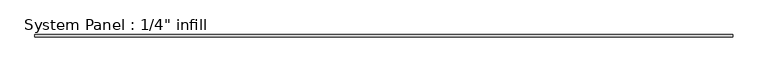
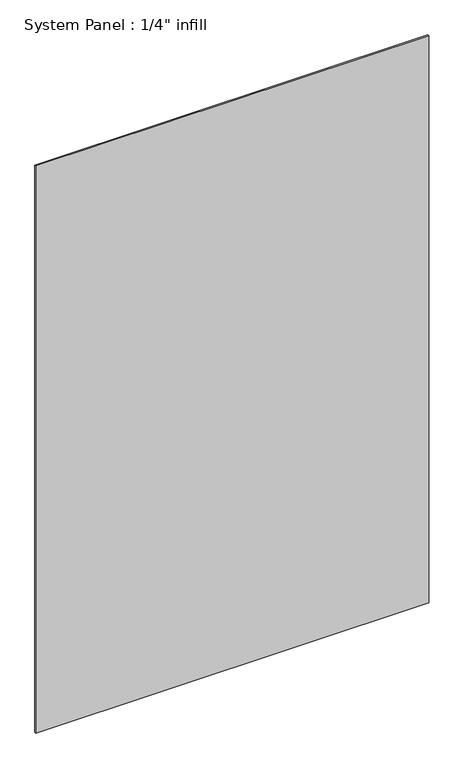
"""IFC4 building model written with IfcOpenShell, lengths in millimetres: plate geometry."""

from ifc_helpers import new_model, si_unit, origin, origin_with_axes, place, context, project, spatial, polyline, outline, extrude, source, transform, mapped, element, save


def plate_64073d90(model_context):
    return source(origin(), model_context, "Body", "SweptSolid", [
        extrude(outline(polyline([(998.5834724, -6.35), (-998.5834724, -6.35), (-998.5834724, 0.0), (998.5834724, 0.0), (998.5834724, -6.35)])), origin_with_axes(), (0.0, 0.0, 1.0), 3048.0),
    ])


if __name__ == "__main__":
    model = new_model("IFC4")
    model_context = context("Model", 3, world=origin())
    ifc_project = project(units=[si_unit("LENGTHUNIT", "METRE", prefix="MILLI")], contexts=[model_context])
    site = spatial("IfcSite", under=ifc_project)
    building = spatial("IfcBuilding", under=site)
    placement = place(None, origin())
    plate_shape = plate_64073d90(model_context)
    element("IfcPlate", 1, ObjectType="System Panel : 1/4\" infill", at=placement, inside=building, context=model_context, shape_type="MappedRepresentation", body=[
        mapped(plate_shape, transform((0.0, 0.0, 0.0), x_axis=(1.0, 0.0, 0.0), y_axis=(0.0, 1.0, 0.0), z_axis=(0.0, 0.0, 1.0))),
    ])
    save(model, "model.ifc")
